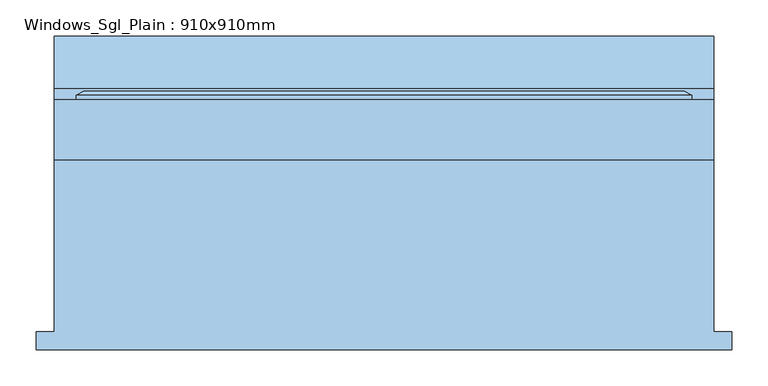
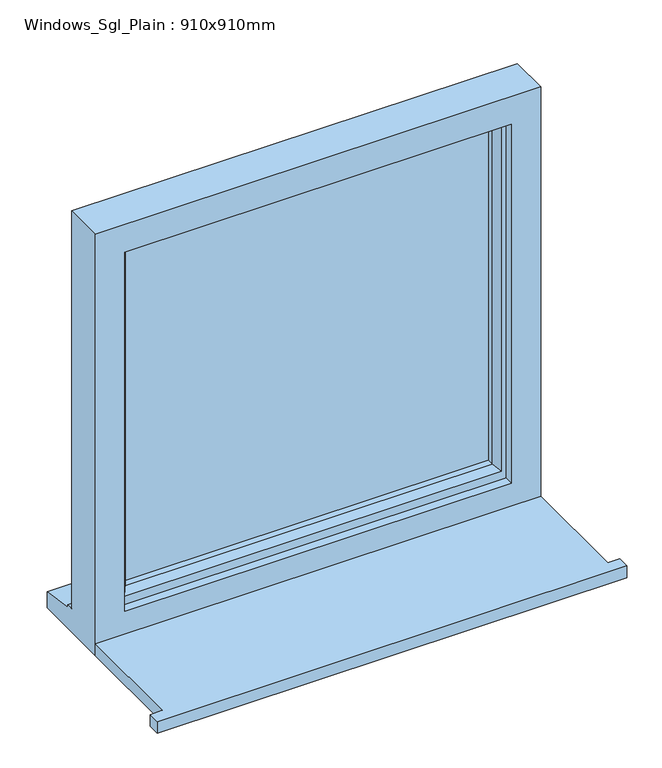
"""IFC4 building model written with IfcOpenShell, lengths in millimetres: window geometry, Windows_Sgl_Plain : 910x910mm."""

import ifcopenshell
import ifcopenshell.guid

model = None  # the IFC model being written
_history = None  # IfcOwnerHistory: only IFC2X3 demands one
_inside = {}  # id of a spatial element -> (the spatial element, [elements in it])
_under = {}  # id of a project, library or spatial element -> (it, [spatial elements below it])
_declared = {}  # id of a project -> (the project, [libraries it declares])
_typed = {}  # id of a type object -> (the type object, [elements of that type])
_made_of = {}  # id of a material, layer set ... -> (it, [elements and type objects made of it])


def new_model(schema):
    """Start an empty IFC model of exactly this schema.

    Asked for "IFC4X3", IfcOpenShell would pick the latest addendum, in which some entities
    have other attributes; the version numbers below select the first issue.
    IFC2X3 requires an IfcOwnerHistory on every rooted entity: one is made here for all.
    """
    global model, _history
    if schema == "IFC4X3":
        model = ifcopenshell.file(schema_version=(4, 3, 0, 0))
    else:
        model = ifcopenshell.file(schema=schema)
    _inside.clear()
    _under.clear()
    _declared.clear()
    _typed.clear()
    _made_of.clear()
    _history = None
    if model.schema == "IFC2X3":
        org = make("IfcOrganization", Name="unknown")
        user = make(
            "IfcPersonAndOrganization",
            ThePerson=make("IfcPerson", FamilyName="unknown"),
            TheOrganization=org,
        )
        app = make(
            "IfcApplication",
            ApplicationDeveloper=org,
            Version="unknown",
            ApplicationFullName="unknown",
            ApplicationIdentifier="unknown",
        )
        _history = make(
            "IfcOwnerHistory",
            OwningUser=user,
            OwningApplication=app,
            ChangeAction="ADDED",
            CreationDate=0,
        )
    return model


def make(cls, **values):
    """One entity of the class cls with the attributes given. An attribute that is None is left unset."""
    return model.create_entity(
        cls, **{name: value for name, value in values.items() if value is not None}
    )


def rooted(cls, **values):
    """An entity with a GlobalId (a new one), such as an element, a storey or a relation."""
    return make(cls, GlobalId=ifcopenshell.guid.new(), OwnerHistory=_history, **values)


def si_unit(unit_type, name, prefix=None):
    """IfcSIUnit, for example si_unit("LENGTHUNIT", "METRE", prefix="MILLI")."""
    return make("IfcSIUnit", UnitType=unit_type, Prefix=prefix, Name=name)


def assignment(units):
    """IfcUnitAssignment: the units of a project."""
    return None if units is None else make("IfcUnitAssignment", Units=units)


def point(xyz):
    """IfcCartesianPoint."""
    return None if xyz is None else make("IfcCartesianPoint", Coordinates=xyz)


def direction(xyz):
    """IfcDirection."""
    return None if xyz is None else make("IfcDirection", DirectionRatios=xyz)


def frame(location, z_axis=None, x_axis=None):
    """IfcAxis2Placement3D, a coordinate frame: its origin and axes. An axis left out is left unset."""
    return make(
        "IfcAxis2Placement3D",
        Location=point(location),
        Axis=direction(z_axis),
        RefDirection=direction(x_axis),
    )


def origin():
    """The frame at (0, 0, 0) with its axes left unset."""
    return frame((0.0, 0.0, 0.0))


def place(relative_to, where):
    """IfcLocalPlacement: puts the frame where relative to a parent placement (None: the world)."""
    return make(
        "IfcLocalPlacement", PlacementRelTo=relative_to, RelativePlacement=where
    )


def context(
    kind, dimensions, precision=None, world=None, true_north=None, identifier=None
):
    """IfcGeometricRepresentationContext, for example the 3D "Model" context."""
    return make(
        "IfcGeometricRepresentationContext",
        ContextIdentifier=identifier,
        ContextType=kind,
        CoordinateSpaceDimension=dimensions,
        Precision=precision,
        WorldCoordinateSystem=world,
        TrueNorth=true_north,
    )


def project(units=None, contexts=None):
    """IfcProject with its units and contexts."""
    return rooted(
        "IfcProject",
        Name="project",
        RepresentationContexts=contexts,
        UnitsInContext=assignment(units),
    )


def spatial(cls, under=None, at=None, **own):
    """A site, building, storey or space (cls), placed at a placement, below another one or the project."""
    s = rooted(cls, ObjectPlacement=at, **own)
    if under is not None:
        _under.setdefault(under.id(), (under, []))[1].append(s)
    return s


def polyline(points):
    """IfcPolyline through the points."""
    return make("IfcPolyline", Points=[point(p) for p in points])


def outline(outer, holes=None, kind="AREA"):
    """IfcArbitraryClosedProfileDef: a profile drawn as a closed curve; with holes, ...WithVoids."""
    if holes is None:
        return make("IfcArbitraryClosedProfileDef", ProfileType=kind, OuterCurve=outer)
    return make(
        "IfcArbitraryProfileDefWithVoids",
        ProfileType=kind,
        OuterCurve=outer,
        InnerCurves=holes,
    )


def extrude(swept, where, along, depth):
    """IfcExtrudedAreaSolid: the profile swept, set in the frame where, extruded along a direction by depth."""
    return make(
        "IfcExtrudedAreaSolid",
        SweptArea=swept,
        Position=where,
        ExtrudedDirection=direction(along),
        Depth=depth,
    )


def faces_of(points, faces, orient=None, outer=None):
    """IfcFace entities. A face is a list of loops; a loop is a list of indices into points, from 0.

    orient and outer hold one flag for each loop. By default every Orientation is true, the
    first loop of a face is its IfcFaceOuterBound and the others are IfcFaceBound.
    """
    made = []
    for i, loops in enumerate(faces):
        bounds = []
        for j, loop in enumerate(loops):
            is_outer = j == 0 if outer is None else outer[i][j]
            bounds.append(
                make(
                    "IfcFaceOuterBound" if is_outer else "IfcFaceBound",
                    Bound=make("IfcPolyLoop", Polygon=[points[k] for k in loop]),
                    Orientation=True if orient is None else orient[i][j],
                )
            )
        made.append(make("IfcFace", Bounds=bounds))
    return made


def faceted_brep(points, faces, orient=None, outer=None, voids=None):
    """IfcFacetedBrep: a solid bounded by flat faces; with voids (closed shells), ...WithVoids."""
    shared = [point(p) for p in points]
    hull = make("IfcClosedShell", CfsFaces=faces_of(shared, faces, orient, outer))
    if voids is None:
        return make("IfcFacetedBrep", Outer=hull)
    return make(
        "IfcFacetedBrepWithVoids",
        Outer=hull,
        Voids=[
            make(cls, CfsFaces=faces_of(shared, fs, o, b)) for cls, fs, o, b in voids
        ],
    )


def shape(context_of_items, identifier, shape_type, items):
    """IfcShapeRepresentation: the items that make up one representation, for example the "Body"."""
    return make(
        "IfcShapeRepresentation",
        ContextOfItems=context_of_items,
        RepresentationIdentifier=identifier,
        RepresentationType=shape_type,
        Items=items,
    )


def source(mapping_origin, context_of_items, identifier, shape_type, items):
    """IfcRepresentationMap: a shape defined once, which mapped items show again and again."""
    return make(
        "IfcRepresentationMap",
        MappingOrigin=mapping_origin,
        MappedRepresentation=shape(context_of_items, identifier, shape_type, items),
    )


def transform(
    local_origin,
    x_axis=None,
    y_axis=None,
    z_axis=None,
    scale=None,
    scale2=None,
    scale3=None,
    uniform=True,
):
    """IfcCartesianTransformationOperator3D, or its non-uniform kind. x_axis, y_axis, z_axis: its Axis1, 2, 3."""
    if uniform:
        return make(
            "IfcCartesianTransformationOperator3D",
            Axis1=direction(x_axis),
            Axis2=direction(y_axis),
            LocalOrigin=point(local_origin),
            Scale=scale,
            Axis3=direction(z_axis),
        )
    return make(
        "IfcCartesianTransformationOperator3DnonUniform",
        Axis1=direction(x_axis),
        Axis2=direction(y_axis),
        LocalOrigin=point(local_origin),
        Scale=scale,
        Axis3=direction(z_axis),
        Scale2=scale2,
        Scale3=scale3,
    )


def mapped(mapping_source, mapping_target):
    """IfcMappedItem: shows the shape of a source again, moved by a transform."""
    return make(
        "IfcMappedItem", MappingSource=mapping_source, MappingTarget=mapping_target
    )


def made_of(thing, what):
    """Note that an element or type object is made of a material, layer set ...; save() writes the relation."""
    if what is not None:
        _made_of.setdefault(what.id(), (what, []))[1].append(thing)
    return thing


def element(
    cls,
    number,
    at=None,
    inside=None,
    cuts=None,
    type_object=None,
    material=None,
    context=None,
    identifier="Body",
    shape_type=None,
    held_by="IfcProductDefinitionShape",
    body=None,
    shapes=None,
    **own,
):
    """One element of the class cls, such as IfcWall. Its Tag is "e" and its number.

    at: its placement. inside: the storey or other place that contains it. cuts: it is an
    opening in that element (IfcRelVoidsElement). A single representation is given by context,
    identifier, shape_type and body (its items); several are given by shapes. held_by: the class
    of the entity that holds the representations. save() writes the other relations.
    """
    e = rooted(cls, Tag="e%d" % number, ObjectPlacement=at, **own)
    if body is not None:
        shapes = [shape(context, identifier, shape_type, body)]
    if shapes is not None:
        e.Representation = make(held_by, Representations=shapes)
    if inside is not None:
        _inside.setdefault(inside.id(), (inside, []))[1].append(e)
    if cuts is not None:
        rooted(
            "IfcRelVoidsElement", RelatingBuildingElement=cuts, RelatedOpeningElement=e
        )
    if type_object is not None:
        _typed.setdefault(type_object.id(), (type_object, []))[1].append(e)
    return made_of(e, material)


def aggregate(whole, parts):
    """IfcRelAggregates: a whole, such as a stair, and the parts it consists of."""
    return rooted("IfcRelAggregates", RelatingObject=whole, RelatedObjects=parts)


def save(model, path):
    """Write the relations noted so far, then the file.

    IfcRelAggregates (storeys below a building ...), IfcRelContainedInSpatialStructure (elements
    in a storey), IfcRelDefinesByType, IfcRelAssociatesMaterial and IfcRelDeclares: one each for
    every whole, place, type object, material and project.
    """
    for whole, parts in _under.values():
        aggregate(whole, parts)
    for where, things in _inside.values():
        rooted(
            "IfcRelContainedInSpatialStructure",
            RelatedElements=things,
            RelatingStructure=where,
        )
    for kind, things in _typed.values():
        rooted("IfcRelDefinesByType", RelatedObjects=things, RelatingType=kind)
    for what, things in _made_of.values():
        rooted("IfcRelAssociatesMaterial", RelatedObjects=things, RelatingMaterial=what)
    for by, libraries in _declared.values():
        rooted("IfcRelDeclares", RelatingContext=by, RelatedDefinitions=libraries)
    model.write(path)


def windows_sgl_plain_910x910mm_1b7fc5db(model_context):
    return source(origin(), model_context, "Body", "SolidModel", [
        extrude(outline(polyline([(-480.0, -201.5434322), (-480.0, -176.5434322), (-455.0, -176.5434322), (-455.0, 60.4565678), (455.0, 60.4565678), (455.0, -176.5434322), (480.0, -176.5434322), (480.0, -201.5434322), (-480.0, -201.5434322)])), frame((0.0, 0.0, 1200.0), z_axis=(0.0, 0.0, 1.0), x_axis=(1.0, 0.0, 0.0)), (0.0, 0.0, 1.0), 25.0),
        faceted_brep([(-455.0, 60.4565678, 1200.0), (455.0, 60.4565678, 1200.0), (455.0, 60.4565678, 2110.0), (-455.0, 60.4565678, 2110.0), (-395.0, 60.4565678, 2050.0), (395.0, 60.4565678, 2050.0), (395.0, 60.4565678, 1275.0), (-395.0, 60.4565678, 1275.0), (-455.0, 143.4565678, 2110.0), (-455.0, 143.4565678, 1251.0), (-455.0, 158.4565678, 1249.68767), (-455.0, 158.4565678, 1244.7449676), (-455.0, 230.9565678, 1233.8088847), (-455.0, 230.9565678, 1200.0), (455.0, 143.4565678, 2110.0), (455.0, 143.4565678, 1251.0), (-415.0, 143.4565678, 2070.0), (-415.0, 143.4565678, 1263.0), (415.0, 143.4565678, 1263.0), (415.0, 143.4565678, 2070.0), (-415.0, 78.4565678, 2070.0), (-415.0, 78.4565678, 1263.0), (415.0, 78.4565678, 2070.0), (415.0, 78.4565678, 1263.0), (-395.0, 78.4565678, 2050.0), (-395.0, 78.4565678, 1275.0), (395.0, 78.4565678, 1275.0), (395.0, 78.4565678, 2050.0), (455.0, 230.9565678, 1200.0), (455.0, 230.9565678, 1233.8088847), (455.0, 158.4565678, 1244.7449676), (455.0, 158.4565678, 1249.68767)], [[[0, 1, 2, 3], [4, 5, 6, 7]], [[0, 3, 8, 9, 10, 11, 12, 13]], [[9, 8, 14, 15], [16, 17, 18, 19]], [[17, 16, 20, 21]], [[20, 22, 23, 21], [24, 25, 26, 27]], [[24, 4, 7, 25]], [[3, 2, 14, 8]], [[16, 19, 22, 20]], [[5, 4, 24, 27]], [[15, 14, 2, 1, 28, 29, 30, 31]], [[19, 18, 23, 22]], [[5, 27, 26, 6]], [[28, 1, 0, 13]], [[29, 28, 13, 12]], [[30, 29, 12, 11]], [[31, 30, 11, 10]], [[15, 31, 10, 9]], [[21, 23, 18, 17]], [[7, 6, 26, 25]]]),
        extrude(outline(polyline([(385.0, 107.4565678), (-385.0, 107.4565678), (-385.0, 131.4565678), (385.0, 131.4565678), (385.0, 107.4565678)])), frame((0.0, 0.0, 1293.0), z_axis=(0.0, 0.0, 1.0), x_axis=(1.0, 0.0, 0.0)), (0.0, 0.0, 1.0), 747.0),
        faceted_brep([(-425.0, 143.4565678, 2080.0), (-425.0, 149.2300705, 2080.0), (-425.0, 149.2300705, 1253.0), (-425.0, 143.4565678, 1253.0), (-415.0, 78.4565678, 2070.0), (-415.0, 143.4565678, 2070.0), (-415.0, 143.4565678, 1263.0), (-415.0, 78.4565678, 1263.0), (-375.0, 92.9494677, 2030.0), (-385.1480377, 78.4565678, 2040.1480377), (-385.1480377, 78.4565678, 1292.8519623), (-375.0, 92.9494677, 1303.0), (-375.0, 107.4565678, 2030.0), (-375.0, 107.4565678, 1303.0), (-385.0, 131.4565678, 2040.0), (-385.0, 107.4565678, 2040.0), (-385.0, 107.4565678, 1293.0), (-385.0, 131.4565678, 1293.0), (-375.0, 149.2300705, 2030.0), (-375.0, 131.4565678, 2030.0), (-375.0, 131.4565678, 1303.0), (-375.0, 149.2300705, 1303.0), (-392.4457548, 155.0035732, 2047.4457548), (-392.4457548, 155.0035732, 1285.5542452), (-414.2153903, 155.0035732, 2069.2153903), (-414.2153903, 155.0035732, 1263.7846097), (425.0, 149.2300705, 1253.0), (425.0, 143.4565678, 1253.0), (415.0, 143.4565678, 1263.0), (415.0, 78.4565678, 1263.0), (385.1480377, 78.4565678, 1292.8519623), (375.0, 92.9494677, 1303.0), (375.0, 107.4565678, 1303.0), (385.0, 107.4565678, 1293.0), (385.0, 131.4565678, 1293.0), (375.0, 131.4565678, 1303.0), (375.0, 149.2300705, 1303.0), (392.4457548, 155.0035732, 1285.5542452), (414.2153903, 155.0035732, 1263.7846097), (425.0, 149.2300705, 2080.0), (425.0, 143.4565678, 2080.0), (415.0, 143.4565678, 2070.0), (415.0, 78.4565678, 2070.0), (385.1480377, 78.4565678, 2040.1480377), (375.0, 92.9494677, 2030.0), (375.0, 107.4565678, 2030.0), (385.0, 107.4565678, 2040.0), (385.0, 131.4565678, 2040.0), (375.0, 131.4565678, 2030.0), (375.0, 149.2300705, 2030.0), (392.4457548, 155.0035732, 2047.4457548), (414.2153903, 155.0035732, 2069.2153903)], [[[0, 1, 2, 3]], [[4, 5, 6, 7]], [[8, 9, 10, 11]], [[12, 8, 11, 13]], [[14, 15, 16, 17]], [[18, 19, 20, 21]], [[22, 18, 21, 23]], [[1, 24, 25, 2]], [[3, 2, 26, 27]], [[7, 6, 28, 29]], [[11, 10, 30, 31]], [[13, 11, 31, 32]], [[17, 16, 33, 34]], [[21, 20, 35, 36]], [[23, 21, 36, 37]], [[2, 25, 38, 26]], [[27, 26, 39, 40]], [[29, 28, 41, 42]], [[31, 30, 43, 44]], [[32, 31, 44, 45]], [[34, 33, 46, 47]], [[36, 35, 48, 49]], [[37, 36, 49, 50]], [[26, 38, 51, 39]], [[40, 39, 1, 0]], [[3, 27, 40, 0], [5, 41, 28, 6]], [[42, 41, 5, 4]], [[7, 29, 42, 4], [9, 43, 30, 10]], [[44, 43, 9, 8]], [[45, 44, 8, 12]], [[15, 46, 33, 16], [13, 32, 45, 12]], [[47, 46, 15, 14]], [[17, 34, 47, 14], [19, 48, 35, 20]], [[49, 48, 19, 18]], [[50, 49, 18, 22]], [[24, 51, 38, 25], [23, 37, 50, 22]], [[39, 51, 24, 1]]]),
    ])


if __name__ == "__main__":
    model = new_model("IFC4")
    model_context = context("Model", 3, world=origin())
    ifc_project = project(units=[si_unit("LENGTHUNIT", "METRE", prefix="MILLI")], contexts=[model_context])
    site = spatial("IfcSite", under=ifc_project)
    building = spatial("IfcBuilding", under=site)
    placement = place(None, origin())
    windows_sgl_plain_910x910mm_shape = windows_sgl_plain_910x910mm_1b7fc5db(model_context)
    element("IfcWindow", 1, ObjectType="Windows_Sgl_Plain : 910x910mm", at=placement, inside=building, context=model_context, shape_type="MappedRepresentation", body=[
        mapped(windows_sgl_plain_910x910mm_shape, transform((0.0, 0.0, 0.0), x_axis=(1.0, 0.0, 0.0), y_axis=(0.0, 1.0, 0.0), z_axis=(0.0, 0.0, 1.0))),
    ])
    save(model, "model.ifc")
